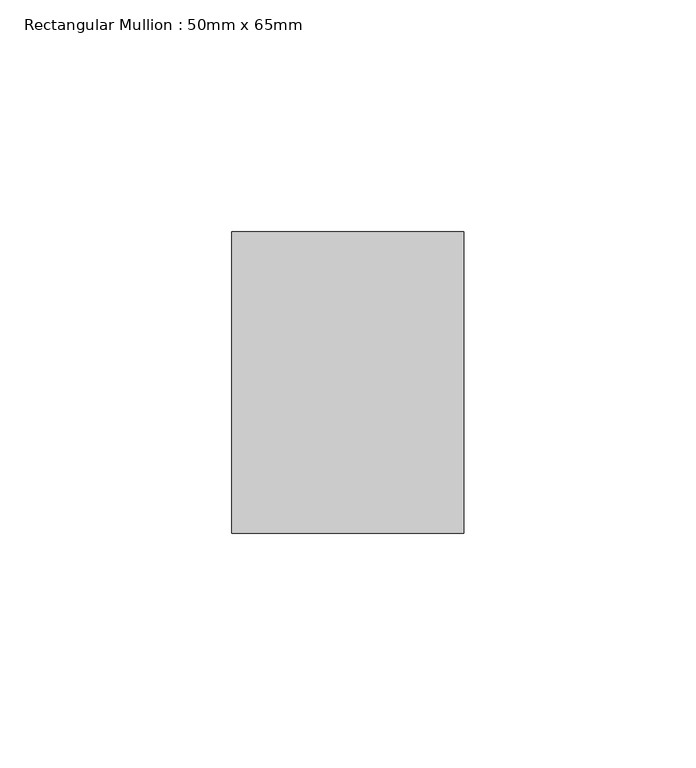
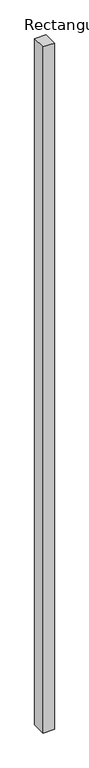
"""IFC4 building model written with IfcOpenShell, lengths in millimetres: member geometry, Rectangular Mullion : 50mm x 65mm."""

from ifc_helpers import new_model, si_unit, frame, origin, place, context, project, spatial, polyline, outline, extrude, source, transform, mapped, element, save


def rectangular_mullion_50mm_x_65mm_c8e46db8(model_context):
    return source(origin(), model_context, "Body", "SweptSolid", [
        extrude(outline(polyline([(25.0, 32.5), (25.0, -32.5), (-25.0, -32.5), (-25.0, 32.5), (25.0, 32.5)])), frame((0.0, 0.0, -3235.2667551), z_axis=(0.0, 0.0, 1.0), x_axis=(1.0, 0.0, 0.0)), (0.0, 0.0, 1.0), 3235.2667551),
    ])


if __name__ == "__main__":
    model = new_model("IFC4")
    model_context = context("Model", 3, world=origin())
    ifc_project = project(units=[si_unit("LENGTHUNIT", "METRE", prefix="MILLI")], contexts=[model_context])
    site = spatial("IfcSite", under=ifc_project)
    building = spatial("IfcBuilding", under=site)
    placement = place(None, origin())
    rectangular_mullion_50mm_x_65mm_shape = rectangular_mullion_50mm_x_65mm_c8e46db8(model_context)
    element("IfcMember", 1, ObjectType="Rectangular Mullion : 50mm x 65mm", at=placement, inside=building, context=model_context, shape_type="MappedRepresentation", body=[
        mapped(rectangular_mullion_50mm_x_65mm_shape, transform((0.0, 0.0, 0.0), x_axis=(1.0, 0.0, 0.0), y_axis=(0.0, 1.0, 0.0), z_axis=(0.0, 0.0, 1.0))),
    ])
    save(model, "model.ifc")
